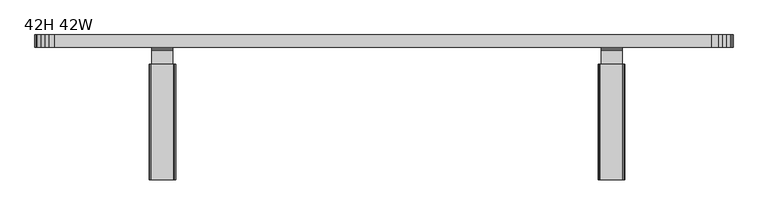
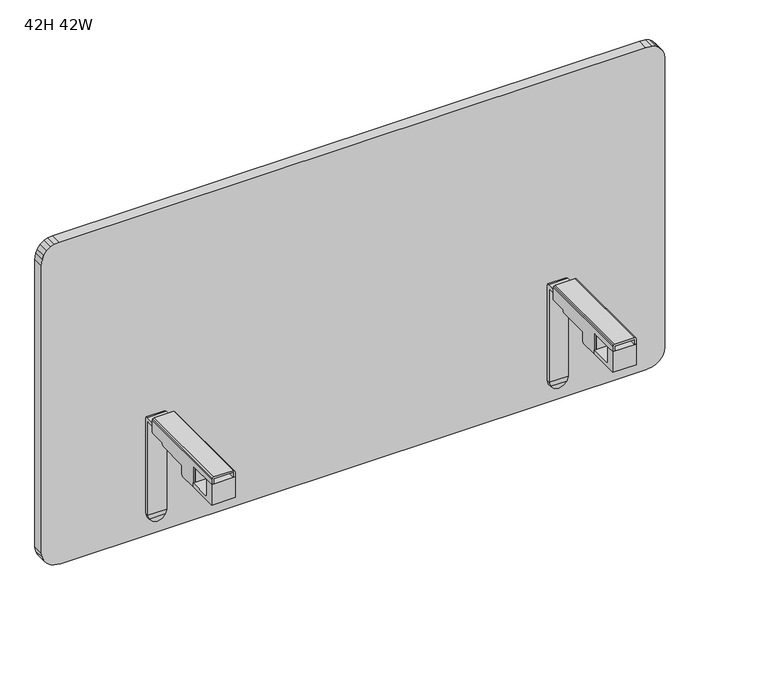
"""IFC4 building model written with IfcOpenShell, lengths in millimetres: furniture geometry, 42H 42W."""

from ifc_helpers import new_model, si_unit, frame, origin, place, context, project, spatial, polyline, outline, extrude, faceted_brep, source, transform, mapped, element, save


def furniture_42h_42w_c8aa8f25(model_context):
    return source(origin(), model_context, "Body", "SolidModel", [
        faceted_brep([(894.461, -16.3029645, 677.2388947), (894.461, -16.3029645, 508.8571303), (894.461, -10.0343655, 508.8571303), (894.461, -10.0343655, 678.940753), (894.461, -11.0594914, 682.4569628), (894.461, -14.7535655, 683.4821182), (894.461, -64.9095634, 683.4821182), (894.461, -64.9095634, 677.2388947), (862.5382029, -16.3029645, 677.2388947), (862.5382029, -64.9095634, 677.2388947), (862.5382029, -64.9095634, 683.4821182), (862.5382029, -14.7535655, 683.4821182), (862.5382029, -11.0594914, 682.4569628), (862.5382029, -10.0343655, 678.940753), (862.5382029, -10.0343655, 508.8571303), (862.5382029, -16.3029645, 508.8571303), (892.3225767, -10.0343655, 500.8764038), (886.4802916, -10.0343655, 495.0341369), (878.4996014, -10.0343655, 492.8957136), (870.5188931, -10.0343655, 495.0341369), (864.6766261, -10.0343655, 500.8764038), (864.6766261, -16.3029645, 500.8764038), (870.5188931, -16.3029645, 495.0341369), (878.4996014, -16.3029645, 492.8957136), (886.4802916, -16.3029645, 495.0341369), (892.3225767, -16.3029645, 500.8764038)], [[[0, 1, 2, 3, 4, 5, 6, 7]], [[8, 9, 10, 11, 12, 13, 14, 15]], [[7, 9, 8, 0]], [[6, 10, 9, 7]], [[5, 11, 10, 6]], [[4, 12, 11, 5]], [[3, 13, 12, 4]], [[3, 2, 16, 17, 18, 19, 20, 14, 13]], [[21, 22, 23, 24, 25]], [[15, 21, 25, 1]], [[0, 8, 15, 1]], [[22, 21, 20, 19]], [[21, 15, 14, 20]], [[16, 2, 1, 25]], [[25, 24, 17, 16]], [[18, 17, 24, 23]], [[23, 22, 19, 18]]]),
        extrude(outline(polyline([(-64.9095634, 669.439225), (-65.4095647, 668.2321043), (-65.4095647, 667.2320927), (-65.9953528, 665.8179348), (-67.4095652, 665.2321421), (-120.0345689, 665.2321421), (-121.8023298, 664.4999193), (-155.0345583, 664.4999193), (-155.0345583, 645.9471541), (-155.4314333, 645.9471541), (-155.4314333, 694.2069723), (-64.9095634, 694.2069723), (-64.9095634, 669.439225)])), frame((861.7496064, 0.0, 0.0), z_axis=(1.0, 0.0, 0.0), x_axis=(0.0, 1.0, 0.0)), (0.0, 0.0, 1.0), 33.0000024),
        extrude(outline(polyline([(-195.2431868, 654.9051561), (-194.6574123, 653.4909256), (-193.2431999, 652.9051329), (-155.4314333, 652.9051329), (-155.4314333, 645.9051241), (-209.8681844, 645.9051241), (-209.8681844, 682.4051491), (-195.2431868, 682.4051491), (-195.2431868, 654.9051561)])), frame((858.249602, 0.0, 0.0), z_axis=(1.0, 0.0, 0.0), x_axis=(0.0, 1.0, 0.0)), (0.0, 0.0, 1.0), 39.999993),
        faceted_brep([(858.249602, -209.8681844, 691.7321234), (858.249602, -209.8681844, 683.2321335), (861.7496064, -209.8681844, 683.2321335), (861.7496064, -209.8681844, 691.7321234), (894.7496088, -209.8681844, 691.7321234), (894.7496088, -209.8681844, 683.2321335), (898.2495951, -209.8681844, 683.2321335), (898.2495951, -209.8681844, 691.7321234), (897.2244759, -209.8681844, 694.2069723), (894.7496088, -209.8681844, 695.2321278), (861.7496064, -209.8681844, 695.2321278), (859.2747211, -209.8681844, 694.2069723), (861.7496064, -34.9095641, 691.7321234), (861.7496064, -34.9095641, 672.2321508), (858.249602, -34.9095641, 672.2321508), (858.249602, -34.9095641, 691.7321234), (859.2747211, -34.9095641, 694.2069723), (861.7496064, -34.9095641, 695.2321278), (894.7496088, -34.9095641, 695.2321278), (897.2244759, -34.9095641, 694.2069723), (898.2495951, -34.9095641, 691.7321234), (898.2495951, -34.9095641, 672.2321508), (894.7496088, -34.9095641, 672.2321508), (894.7496088, -34.9095641, 691.7321234), (861.7496064, -125.2225732, 645.9471541), (861.7496064, -155.0345583, 645.9471541), (861.7496064, -155.4314333, 645.9471541), (858.249602, -155.4314333, 645.9471541), (858.249602, -125.2225732, 645.9471541), (858.249602, -35.4953523, 670.8179203), (858.249602, -36.9095646, 670.2321276), (858.249602, -63.4095641, 670.2321276), (858.249602, -64.8237765, 669.6463348), (858.249602, -65.4095647, 668.2321043), (858.249602, -65.4095647, 667.2320927), (858.249602, -65.9953528, 665.8179348), (858.249602, -67.4095652, 665.2321421), (858.249602, -120.0345689, 665.2321421), (858.249602, -121.8023298, 664.4999193), (858.249602, -122.5345616, 662.7321493), (858.249602, -122.5345616, 648.2320896), (858.249602, -123.1203544, 646.8179317), (858.249602, -155.4314333, 681.1290128), (858.249602, -157.5345692, 683.2321335), (898.2495951, -157.5345692, 683.2321335), (898.2495951, -155.4314333, 681.1290128), (898.2495951, -155.4314333, 645.9471541), (898.2495951, -125.2225732, 645.9471541), (898.2495951, -123.1203544, 646.8179317), (898.2495951, -122.5345616, 648.2320896), (898.2495951, -122.5345616, 662.7321493), (898.2495951, -121.8023298, 664.4999193), (898.2495951, -120.0345689, 665.2321421), (898.2495951, -67.4095652, 665.2321421), (898.2495951, -65.9953528, 665.8179348), (898.2495951, -65.4095647, 667.2320927), (898.2495951, -65.4095647, 668.2321043), (898.2495951, -64.8237765, 669.6463348), (898.2495951, -63.4095641, 670.2321276), (898.2495951, -36.9095646, 670.2321276), (898.2495951, -35.4953523, 670.8179203), (894.7496088, -155.4314333, 645.9471541), (894.7496088, -155.0345583, 645.9471541), (894.7496088, -125.2225732, 645.9471541), (894.7496088, -35.4953523, 670.8179203), (894.7496088, -36.9095646, 670.2321276), (894.7496088, -63.4095641, 670.2321276), (894.7496088, -64.8237765, 669.6463348), (894.7496088, -65.4095647, 668.2321043), (894.7496088, -65.4095647, 667.2320927), (894.7496088, -65.9953528, 665.8179348), (894.7496088, -67.4095652, 665.2321421), (894.7496088, -120.0345689, 665.2321421), (894.7496088, -121.8023298, 664.4999193), (894.7496088, -122.5345616, 662.7321493), (894.7496088, -122.5345616, 648.2320896), (894.7496088, -123.1203544, 646.8179317), (894.7496088, -155.4314333, 681.1290128), (894.7496088, -157.5345692, 683.2321335), (861.7496064, -157.5345692, 683.2321335), (861.7496064, -155.4314333, 681.1290128), (861.7496064, -123.1203544, 646.8179317), (861.7496064, -122.5345616, 648.2320896), (861.7496064, -122.5345616, 662.7321493), (861.7496064, -121.8023298, 664.4999193), (861.7496064, -120.0345689, 665.2321421), (861.7496064, -67.4095652, 665.2321421), (861.7496064, -65.9953528, 665.8179348), (861.7496064, -65.4095647, 667.2320927), (861.7496064, -65.4095647, 668.2321043), (861.7496064, -64.8237765, 669.6463348), (861.7496064, -63.4095641, 670.2321276), (861.7496064, -36.9095646, 670.2321276), (861.7496064, -35.4953523, 670.8179203)], [[[0, 1, 2, 3, 4, 5, 6, 7, 8, 9, 10, 11]], [[12, 13, 14, 15, 16, 17, 18, 19, 20, 21, 22, 23]], [[24, 25, 26, 27, 28]], [[15, 14, 29, 30, 31, 32, 33, 34, 35, 36, 37, 38, 39, 40, 41, 28, 27, 42, 43, 1, 0]], [[9, 18, 17, 10]], [[7, 6, 44, 45, 46, 47, 48, 49, 50, 51, 52, 53, 54, 55, 56, 57, 58, 59, 60, 21, 20]], [[47, 46, 61, 62, 63]], [[11, 16, 15, 0]], [[10, 17, 16, 11]], [[8, 19, 18, 9]], [[7, 20, 19, 8]], [[23, 22, 64, 65, 66, 67, 68, 69, 70, 71, 72, 73, 74, 75, 76, 63, 62, 61, 77, 78, 5, 4]], [[3, 12, 23, 4]], [[3, 2, 79, 80, 26, 25, 24, 81, 82, 83, 84, 85, 86, 87, 88, 89, 90, 91, 92, 93, 13, 12]], [[29, 14, 13, 93]], [[64, 22, 21, 60]], [[60, 59, 65, 64]], [[93, 92, 30, 29]], [[59, 58, 66, 65]], [[92, 91, 31, 30]], [[58, 57, 67, 66]], [[91, 90, 32, 31]], [[57, 56, 68, 67]], [[90, 89, 33, 32]], [[56, 55, 69, 68]], [[89, 88, 34, 33]], [[55, 54, 70, 69]], [[88, 87, 35, 34]], [[54, 53, 71, 70]], [[87, 86, 36, 35]], [[53, 52, 72, 71]], [[86, 85, 37, 36]], [[52, 51, 73, 72]], [[85, 84, 38, 37]], [[51, 50, 74, 73]], [[84, 83, 39, 38]], [[50, 49, 75, 74]], [[83, 82, 40, 39]], [[49, 48, 76, 75]], [[82, 81, 41, 40]], [[48, 47, 63, 76]], [[81, 24, 28, 41]], [[45, 44, 78, 77]], [[80, 79, 43, 42]], [[44, 6, 5, 78]], [[79, 2, 1, 43]], [[42, 27, 26, 80]], [[77, 61, 46, 45]]]),
        faceted_brep([(180.9807184, -16.3029645, 677.2388947), (180.9807184, -64.9095634, 677.2388947), (180.9807184, -64.9095634, 683.4821182), (180.9807184, -14.7535655, 683.4821182), (180.9807184, -11.0594914, 682.4569628), (180.9807184, -10.0343655, 678.940753), (180.9807184, -10.0343655, 508.8571303), (180.9807184, -16.3029645, 508.8571303), (212.9035155, -16.3029645, 677.2388947), (212.9035155, -16.3029645, 508.8571303), (212.9035155, -10.0343655, 508.8571303), (212.9035155, -10.0343655, 678.940753), (212.9035155, -11.0594914, 682.4569628), (212.9035155, -14.7535655, 683.4821182), (212.9035155, -64.9095634, 683.4821182), (212.9035155, -64.9095634, 677.2388947), (210.7650923, -10.0343655, 500.8764038), (204.9228253, -10.0343655, 495.0341369), (196.942117, -10.0343655, 492.8957136), (188.9614268, -10.0343655, 495.0341369), (183.1191417, -10.0343655, 500.8764038), (210.7650923, -16.3029645, 500.8764038), (183.1191417, -16.3029645, 500.8764038), (188.9614268, -16.3029645, 495.0341369), (196.942117, -16.3029645, 492.8957136), (204.9228253, -16.3029645, 495.0341369)], [[[0, 1, 2, 3, 4, 5, 6, 7]], [[8, 9, 10, 11, 12, 13, 14, 15]], [[1, 0, 8, 15]], [[2, 1, 15, 14]], [[3, 2, 14, 13]], [[4, 3, 13, 12]], [[5, 4, 12, 11]], [[5, 11, 10, 16, 17, 18, 19, 20, 6]], [[21, 22, 23, 24, 25]], [[9, 7, 22, 21]], [[0, 7, 9, 8]], [[25, 17, 16, 21]], [[21, 16, 10, 9]], [[20, 22, 7, 6]], [[22, 20, 19, 23]], [[18, 24, 23, 19]], [[24, 18, 17, 25]]]),
        extrude(outline(polyline([(-64.9095634, 669.439225), (-65.4095647, 668.2321043), (-65.4095647, 667.2320927), (-65.9953528, 665.8179348), (-67.4095652, 665.2321421), (-120.0345689, 665.2321421), (-121.8023298, 664.4999193), (-155.0345583, 664.4999193), (-155.0345583, 645.9471541), (-155.4314333, 645.9471541), (-155.4314333, 694.2069723), (-64.9095634, 694.2069723), (-64.9095634, 669.439225)])), frame((180.6921096, 0.0, 0.0), z_axis=(1.0, 0.0, 0.0), x_axis=(0.0, 1.0, 0.0)), (0.0, 0.0, 1.0), 33.0000024),
        extrude(outline(polyline([(-195.2431868, 654.9051561), (-194.6574123, 653.4909256), (-193.2431999, 652.9051329), (-155.4314333, 652.9051329), (-155.4314333, 645.9051241), (-209.8681844, 645.9051241), (-209.8681844, 682.4051491), (-195.2431868, 682.4051491), (-195.2431868, 654.9051561)])), frame((177.1921233, 0.0, 0.0), z_axis=(1.0, 0.0, 0.0), x_axis=(0.0, 1.0, 0.0)), (0.0, 0.0, 1.0), 39.999993),
        faceted_brep([(217.1921164, -209.8681844, 691.7321234), (216.1669973, -209.8681844, 694.2069723), (213.692112, -209.8681844, 695.2321278), (180.6921096, -209.8681844, 695.2321278), (178.2172425, -209.8681844, 694.2069723), (177.1921233, -209.8681844, 691.7321234), (177.1921233, -209.8681844, 683.2321335), (180.6921096, -209.8681844, 683.2321335), (180.6921096, -209.8681844, 691.7321234), (213.692112, -209.8681844, 691.7321234), (213.692112, -209.8681844, 683.2321335), (217.1921164, -209.8681844, 683.2321335), (213.692112, -34.9095641, 691.7321234), (180.6921096, -34.9095641, 691.7321234), (180.6921096, -34.9095641, 672.2321508), (177.1921233, -34.9095641, 672.2321508), (177.1921233, -34.9095641, 691.7321234), (178.2172425, -34.9095641, 694.2069723), (180.6921096, -34.9095641, 695.2321278), (213.692112, -34.9095641, 695.2321278), (216.1669973, -34.9095641, 694.2069723), (217.1921164, -34.9095641, 691.7321234), (217.1921164, -34.9095641, 672.2321508), (213.692112, -34.9095641, 672.2321508), (213.692112, -125.2225732, 645.9471541), (217.1921164, -125.2225732, 645.9471541), (217.1921164, -155.4314333, 645.9471541), (213.692112, -155.4314333, 645.9471541), (213.692112, -155.0345583, 645.9471541), (217.1921164, -157.5345692, 683.2321335), (217.1921164, -155.4314333, 681.1290128), (217.1921164, -123.1203544, 646.8179317), (217.1921164, -122.5345616, 648.2320896), (217.1921164, -122.5345616, 662.7321493), (217.1921164, -121.8023298, 664.4999193), (217.1921164, -120.0345689, 665.2321421), (217.1921164, -67.4095652, 665.2321421), (217.1921164, -65.9953528, 665.8179348), (217.1921164, -65.4095647, 667.2320927), (217.1921164, -65.4095647, 668.2321043), (217.1921164, -64.8237765, 669.6463348), (217.1921164, -63.4095641, 670.2321276), (217.1921164, -36.9095646, 670.2321276), (217.1921164, -35.4953523, 670.8179203), (177.1921233, -35.4953523, 670.8179203), (177.1921233, -36.9095646, 670.2321276), (177.1921233, -63.4095641, 670.2321276), (177.1921233, -64.8237765, 669.6463348), (177.1921233, -65.4095647, 668.2321043), (177.1921233, -65.4095647, 667.2320927), (177.1921233, -65.9953528, 665.8179348), (177.1921233, -67.4095652, 665.2321421), (177.1921233, -120.0345689, 665.2321421), (177.1921233, -121.8023298, 664.4999193), (177.1921233, -122.5345616, 662.7321493), (177.1921233, -122.5345616, 648.2320896), (177.1921233, -123.1203544, 646.8179317), (177.1921233, -125.2225732, 645.9471541), (177.1921233, -155.4314333, 645.9471541), (177.1921233, -155.4314333, 681.1290128), (177.1921233, -157.5345692, 683.2321335), (180.6921096, -125.2225732, 645.9471541), (180.6921096, -155.0345583, 645.9471541), (180.6921096, -155.4314333, 645.9471541), (180.6921096, -157.5345692, 683.2321335), (180.6921096, -155.4314333, 681.1290128), (180.6921096, -123.1203544, 646.8179317), (180.6921096, -122.5345616, 648.2320896), (180.6921096, -122.5345616, 662.7321493), (180.6921096, -121.8023298, 664.4999193), (180.6921096, -120.0345689, 665.2321421), (180.6921096, -67.4095652, 665.2321421), (180.6921096, -65.9953528, 665.8179348), (180.6921096, -65.4095647, 667.2320927), (180.6921096, -65.4095647, 668.2321043), (180.6921096, -64.8237765, 669.6463348), (180.6921096, -63.4095641, 670.2321276), (180.6921096, -36.9095646, 670.2321276), (180.6921096, -35.4953523, 670.8179203), (213.692112, -35.4953523, 670.8179203), (213.692112, -36.9095646, 670.2321276), (213.692112, -63.4095641, 670.2321276), (213.692112, -64.8237765, 669.6463348), (213.692112, -65.4095647, 668.2321043), (213.692112, -65.4095647, 667.2320927), (213.692112, -65.9953528, 665.8179348), (213.692112, -67.4095652, 665.2321421), (213.692112, -120.0345689, 665.2321421), (213.692112, -121.8023298, 664.4999193), (213.692112, -122.5345616, 662.7321493), (213.692112, -122.5345616, 648.2320896), (213.692112, -123.1203544, 646.8179317), (213.692112, -155.4314333, 681.1290128), (213.692112, -157.5345692, 683.2321335)], [[[0, 1, 2, 3, 4, 5, 6, 7, 8, 9, 10, 11]], [[12, 13, 14, 15, 16, 17, 18, 19, 20, 21, 22, 23]], [[24, 25, 26, 27, 28]], [[21, 0, 11, 29, 30, 26, 25, 31, 32, 33, 34, 35, 36, 37, 38, 39, 40, 41, 42, 43, 22]], [[3, 2, 19, 18]], [[5, 16, 15, 44, 45, 46, 47, 48, 49, 50, 51, 52, 53, 54, 55, 56, 57, 58, 59, 60, 6]], [[57, 61, 62, 63, 58]], [[1, 0, 21, 20]], [[2, 1, 20, 19]], [[4, 3, 18, 17]], [[5, 4, 17, 16]], [[13, 8, 7, 64, 65, 63, 62, 61, 66, 67, 68, 69, 70, 71, 72, 73, 74, 75, 76, 77, 78, 14]], [[9, 8, 13, 12]], [[9, 12, 23, 79, 80, 81, 82, 83, 84, 85, 86, 87, 88, 89, 90, 91, 24, 28, 27, 92, 93, 10]], [[78, 44, 15, 14]], [[43, 79, 23, 22]], [[44, 78, 77, 45]], [[79, 43, 42, 80]], [[45, 77, 76, 46]], [[80, 42, 41, 81]], [[46, 76, 75, 47]], [[81, 41, 40, 82]], [[47, 75, 74, 48]], [[82, 40, 39, 83]], [[48, 74, 73, 49]], [[83, 39, 38, 84]], [[49, 73, 72, 50]], [[84, 38, 37, 85]], [[50, 72, 71, 51]], [[85, 37, 36, 86]], [[51, 71, 70, 52]], [[86, 36, 35, 87]], [[52, 70, 69, 53]], [[87, 35, 34, 88]], [[53, 69, 68, 54]], [[88, 34, 33, 89]], [[54, 68, 67, 55]], [[89, 33, 32, 90]], [[55, 67, 66, 56]], [[90, 32, 31, 91]], [[56, 66, 61, 57]], [[91, 31, 25, 24]], [[59, 65, 64, 60]], [[92, 30, 29, 93]], [[60, 64, 7, 6]], [[93, 29, 11, 10]], [[65, 59, 58, 63]], [[30, 92, 27, 26]]]),
        extrude(outline(polyline([(1025.2580697, 5.0050094), (1015.2037362, 3.9387233), (498.7222214, 3.9387233), (490.6637762, 5.0762464), (484.0942644, 7.8505331), (477.2091832, 13.2515079), (472.5075443, 19.8028028), (470.1291285, 25.7494658), (468.6334954, 36.6222202), (468.6334954, 1030.1481373), (470.1294555, 1041.0295685), (472.5072173, 1046.9772433), (477.2150332, 1053.5288783), (484.0936467, 1058.9296387), (490.6629405, 1061.7023619), (498.8695723, 1062.8612767), (1017.1038947, 1062.8612767), (1025.3173684, 1061.6312808), (1031.8911677, 1058.9363144), (1038.7674922, 1053.5035065), (1043.4680047, 1046.9122664), (1045.8807935, 1040.9669898), (1046.9660954, 1030.6270606), (1046.9660954, 33.875425), (1045.8407523, 25.7574087), (1043.4755624, 19.8117926), (1038.7657481, 13.2478747), (1031.8930571, 7.84337), (1025.2580697, 5.0050094)])), frame((0.0, -9.5249194, 0.0), z_axis=(0.0, 1.0, 0.0), x_axis=(0.0, 0.0, 1.0)), (0.0, 0.0, 1.0), 19.0498388),
    ])


if __name__ == "__main__":
    model = new_model("IFC4")
    model_context = context("Model", 3, world=origin())
    ifc_project = project(units=[si_unit("LENGTHUNIT", "METRE", prefix="MILLI")], contexts=[model_context])
    site = spatial("IfcSite", under=ifc_project)
    building = spatial("IfcBuilding", under=site)
    placement = place(None, origin())
    furniture_42h_42w_shape = furniture_42h_42w_c8aa8f25(model_context)
    element("IfcFurniture", 1, ObjectType="42H 42W", at=placement, inside=building, context=model_context, shape_type="MappedRepresentation", body=[
        mapped(furniture_42h_42w_shape, transform((0.0, 0.0, 0.0), x_axis=(1.0, 0.0, 0.0), y_axis=(0.0, 1.0, 0.0), z_axis=(0.0, 0.0, 1.0))),
    ])
    save(model, "model.ifc")
